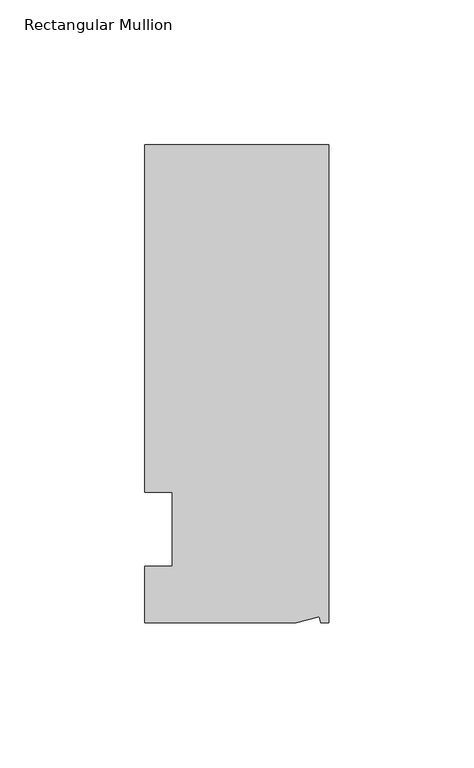
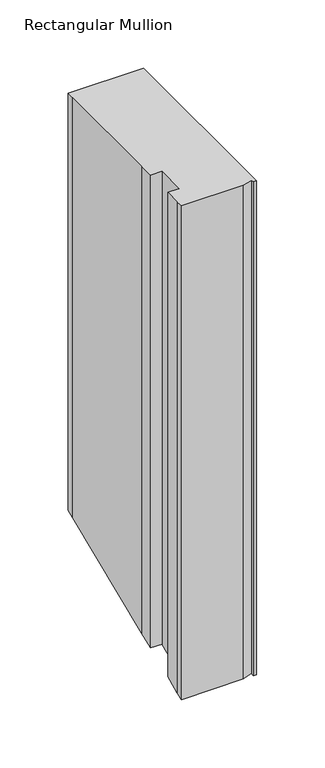
"""IFC4 building model written with IfcOpenShell, lengths in millimetres: member geometry, Rectangular Mullion."""

from ifc_helpers import new_model, si_unit, origin, place, context, project, spatial, faceted_brep, source, transform, mapped, element, save


def rectangular_mullion_19a3bd7c(model_context):
    return source(origin(), model_context, "Body", "Brep", [
        faceted_brep([(-3.3457217, -17.5748952, 0.0), (-11.1265412, -19.6597595, 0.0), (-11.1265412, -19.6597595, -439.943339), (-3.3457217, -17.5748952, -439.0797599), (-2.787084, -19.6597595, 0.0), (-2.787084, -19.6597595, -439.943339), (0.0, -19.6597595, 0.0), (0.0, -19.6597595, -439.943339), (0.0, 145.4402405, 0.0), (0.0, 145.4402405, -371.5566799), (-63.5, 145.4402405, 0.0), (-63.5, 145.4402405, -371.5566799), (-63.5, 38.3358837, 0.0), (-63.5, 139.0912246, 0.0), (-63.5, 139.0912246, -374.1865284), (-63.5, 38.3358837, -415.9207571), (-53.975, 25.4, 0.0), (-63.5, 25.4, 0.0), (-63.5, 25.4, -421.2789755), (-53.975, 25.4, -421.2789755), (-53.975, 0.0, 0.0), (-53.975, 0.0, -431.8), (-63.5, 0.0, 0.0), (-63.5, 0.0, -431.8), (-63.5, -13.6093403, 0.0), (-63.5, -13.6093403, -437.4371733), (-63.5, -19.6597595, 0.0), (-63.5, -19.6597595, -439.943339)], [[[0, 1, 2, 3]], [[4, 0, 3, 5]], [[6, 4, 5, 7]], [[8, 6, 7, 9]], [[10, 8, 9, 11]], [[12, 13, 14, 15]], [[16, 17, 18, 19]], [[20, 16, 19, 21]], [[22, 20, 21, 23]], [[24, 22, 23, 25]], [[1, 26, 27, 2]], [[1, 0, 4, 6, 8, 10, 13, 12, 17, 16, 20, 22, 24, 26]], [[2, 27, 25, 23, 21, 19, 18, 15, 14, 11, 9, 7, 5, 3]], [[13, 10, 11, 14]], [[17, 12, 15, 18]], [[26, 24, 25, 27]]]),
    ])


if __name__ == "__main__":
    model = new_model("IFC4")
    model_context = context("Model", 3, world=origin())
    ifc_project = project(units=[si_unit("LENGTHUNIT", "METRE", prefix="MILLI")], contexts=[model_context])
    site = spatial("IfcSite", under=ifc_project)
    building = spatial("IfcBuilding", under=site)
    placement = place(None, origin())
    rectangular_mullion_shape = rectangular_mullion_19a3bd7c(model_context)
    element("IfcMember", 1, ObjectType="Rectangular Mullion", at=placement, inside=building, context=model_context, shape_type="MappedRepresentation", body=[
        mapped(rectangular_mullion_shape, transform((0.0, 0.0, 0.0), x_axis=(1.0, 0.0, 0.0), y_axis=(0.0, 1.0, 0.0), z_axis=(0.0, 0.0, 1.0))),
    ])
    save(model, "model.ifc")
